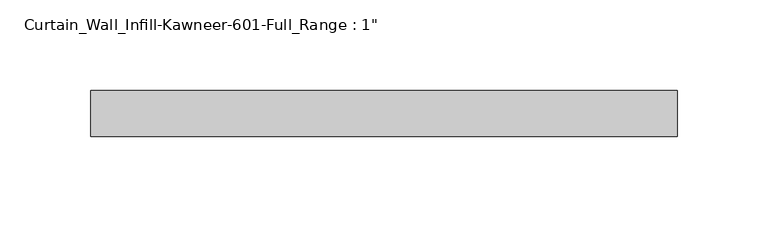
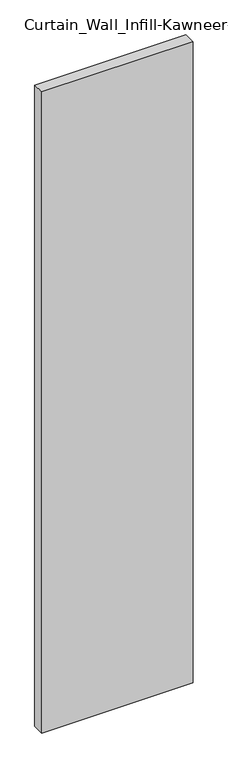
"""IFC4 building model written with IfcOpenShell, lengths in millimetres: plate geometry."""

from ifc_helpers import new_model, si_unit, origin, origin_with_axes, place, context, project, spatial, polyline, outline, extrude, source, transform, mapped, element, save


def plate_2c6bc55b(model_context):
    return source(origin(), model_context, "Body", "SweptSolid", [
        extrude(outline(polyline([(-161.3958333, -12.7), (-161.3958333, 12.7), (161.3958333, 12.7), (161.3958333, -12.7), (-161.3958333, -12.7)])), origin_with_axes(), (0.0, 0.0, 1.0), 1444.625),
    ])


if __name__ == "__main__":
    model = new_model("IFC4")
    model_context = context("Model", 3, world=origin())
    ifc_project = project(units=[si_unit("LENGTHUNIT", "METRE", prefix="MILLI")], contexts=[model_context])
    site = spatial("IfcSite", under=ifc_project)
    building = spatial("IfcBuilding", under=site)
    placement = place(None, origin())
    plate_shape = plate_2c6bc55b(model_context)
    element("IfcPlate", 1, ObjectType="Curtain_Wall_Infill-Kawneer-601-Full_Range : 1\"", at=placement, inside=building, context=model_context, shape_type="MappedRepresentation", body=[
        mapped(plate_shape, transform((0.0, 0.0, 0.0), x_axis=(1.0, 0.0, 0.0), y_axis=(0.0, 1.0, 0.0), z_axis=(0.0, 0.0, 1.0))),
    ])
    save(model, "model.ifc")
